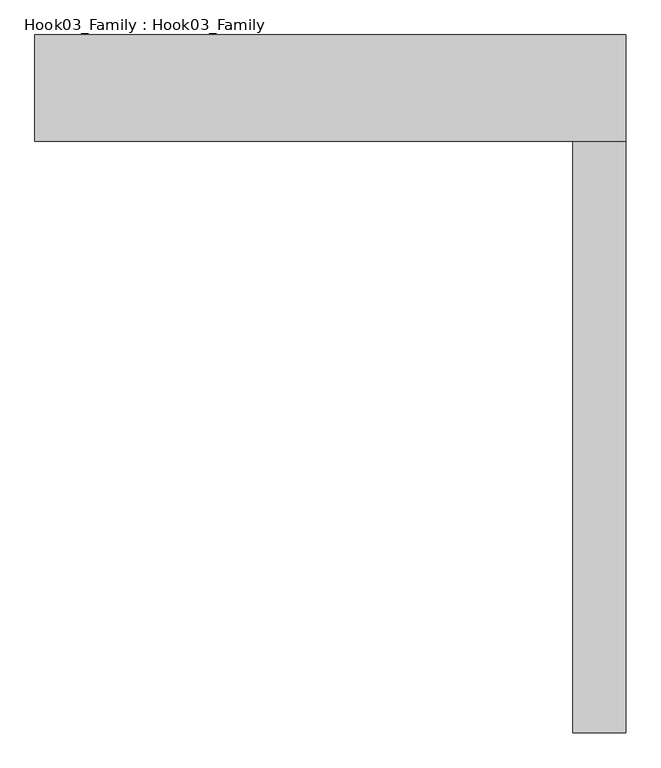
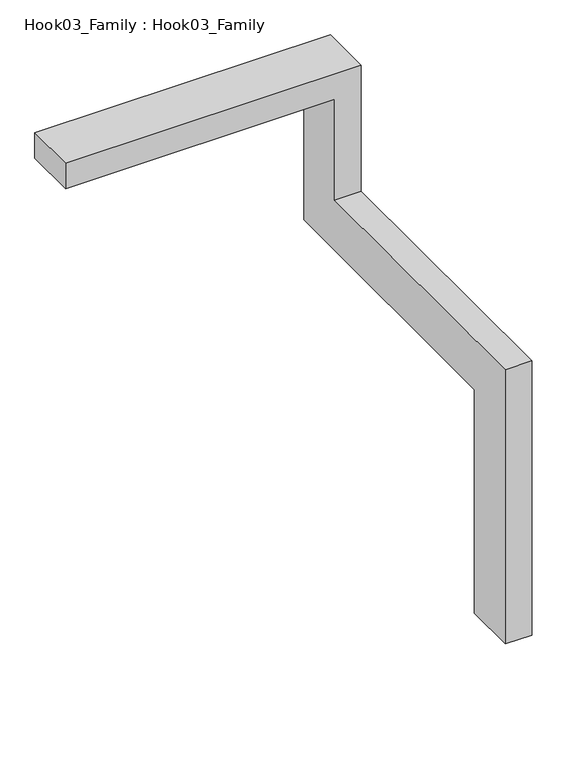
"""IFC4 building model written with IfcOpenShell, lengths in millimetres: proxy geometry, Hook03_Family : Hook03_Family."""

from ifc_helpers import new_model, si_unit, origin, place, context, project, spatial, faceted_brep, source, transform, mapped, element, save


def hook03_family_hook03_family_f61307a0(model_context):
    return source(origin(), model_context, "Body", "Brep", [
        faceted_brep([(0.0, -450.0, 0.0), (0.0, -450.0, 450.0), (0.0, 450.0, 450.0), (0.0, 450.0, 0.0), (4550.0, 450.0, 0.0), (4550.0, -450.0, 0.0), (5000.0, 450.0, 450.0), (5000.0, 450.0, -2700.0), (4550.0, 450.0, -2700.0), (5000.0, -450.0, 450.0), (4550.0, -450.0, -1800.0), (5000.0, -450.0, -1800.0), (4550.0, -4550.0, -2700.0), (4550.0, -4550.0, -6700.0), (4550.0, -5450.0, -6700.0), (4550.0, -5450.0, -1800.0), (5000.0, -5450.0, -1800.0), (5000.0, -5450.0, -6700.0), (5000.0, -4550.0, -6700.0), (5000.0, -4550.0, -2700.0)], [[[0, 1, 2, 3]], [[3, 4, 5, 0]], [[2, 6, 7, 8, 4, 3]], [[1, 9, 6, 2]], [[0, 5, 10, 11, 9, 1]], [[4, 8, 12, 13, 14, 15, 10, 5]], [[9, 11, 16, 17, 18, 19, 7, 6]], [[7, 19, 12, 8]], [[10, 15, 16, 11]], [[14, 13, 18, 17]], [[19, 18, 13, 12]], [[15, 14, 17, 16]]]),
    ])


if __name__ == "__main__":
    model = new_model("IFC4")
    model_context = context("Model", 3, world=origin())
    ifc_project = project(units=[si_unit("LENGTHUNIT", "METRE", prefix="MILLI")], contexts=[model_context])
    site = spatial("IfcSite", under=ifc_project)
    building = spatial("IfcBuilding", under=site)
    placement = place(None, origin())
    hook03_family_hook03_family_shape = hook03_family_hook03_family_f61307a0(model_context)
    element("IfcBuildingElementProxy", 1, Name="Hook03_Family : Hook03_Family", ObjectType="Hook03_Family : Hook03_Family", at=placement, inside=building, context=model_context, shape_type="MappedRepresentation", body=[
        mapped(hook03_family_hook03_family_shape, transform((0.0, 0.0, 0.0), x_axis=(1.0, 0.0, 0.0), y_axis=(0.0, 1.0, 0.0), z_axis=(0.0, 0.0, 1.0))),
    ])
    save(model, "model.ifc")
